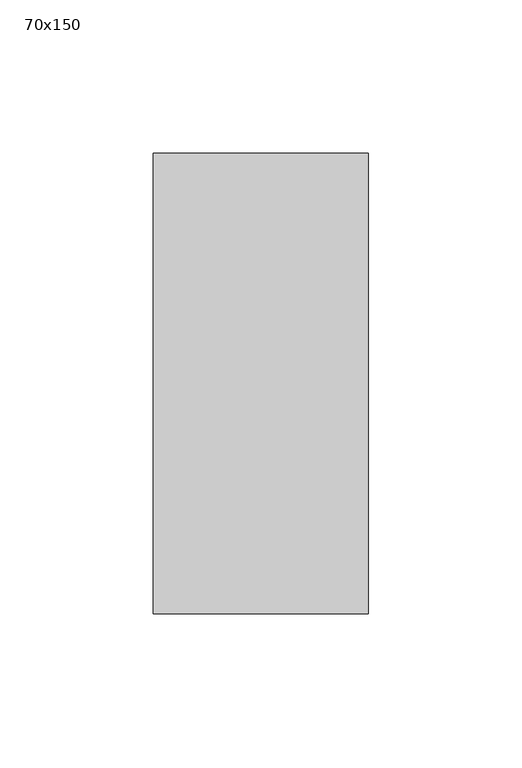
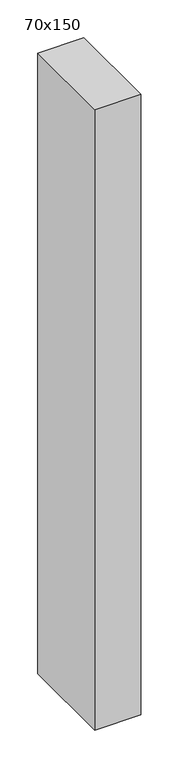
"""IFC4 building model written with IfcOpenShell, lengths in millimetres: member geometry, 70x150."""

from ifc_helpers import new_model, si_unit, frame, origin, place, context, project, spatial, polyline, outline, extrude, source, transform, mapped, element, save


def member_70x150_26475b18(model_context):
    return source(origin(), model_context, "Body", "SweptSolid", [
        extrude(outline(polyline([(35.0, 75.0), (35.0, -75.0), (-35.0, -75.0), (-35.0, 75.0), (35.0, 75.0)])), frame((0.0, 0.0, -1000.0), z_axis=(0.0, 0.0, 1.0), x_axis=(1.0, 0.0, 0.0)), (0.0, 0.0, 1.0), 1000.0),
    ])


if __name__ == "__main__":
    model = new_model("IFC4")
    model_context = context("Model", 3, world=origin())
    ifc_project = project(units=[si_unit("LENGTHUNIT", "METRE", prefix="MILLI")], contexts=[model_context])
    site = spatial("IfcSite", under=ifc_project)
    building = spatial("IfcBuilding", under=site)
    placement = place(None, origin())
    member_70x150_shape = member_70x150_26475b18(model_context)
    element("IfcMember", 1, ObjectType="70x150", at=placement, inside=building, context=model_context, shape_type="MappedRepresentation", body=[
        mapped(member_70x150_shape, transform((0.0, 0.0, 0.0), x_axis=(1.0, 0.0, 0.0), y_axis=(0.0, 1.0, 0.0), z_axis=(0.0, 0.0, 1.0))),
    ])
    save(model, "model.ifc")
